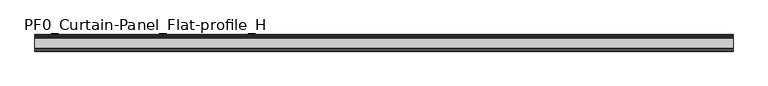
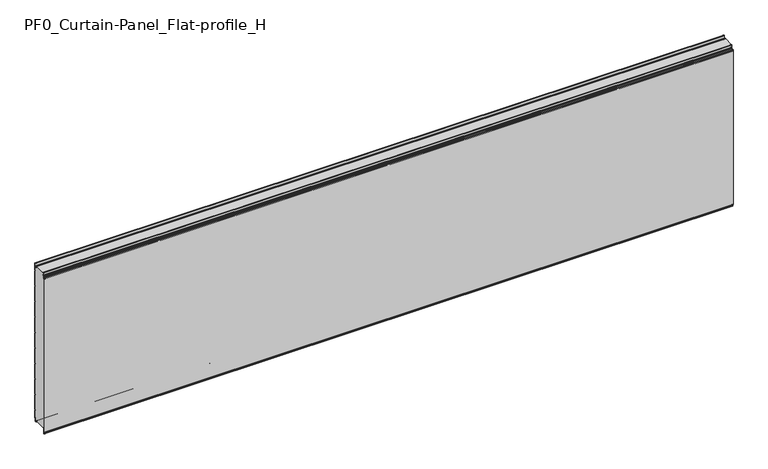
"""IFC4 building model written with IfcOpenShell, lengths in millimetres: plate geometry, PF0_Curtain-Panel_Flat-profile_H."""

from ifc_helpers import new_model, si_unit, point, frame, frame_2d, origin, place, context, project, spatial, polyline, circle_curve, trimmed, segment, composite_curve, outline, extrude, source, transform, mapped, element, save
from ifc_brep_helpers import plane_surface, cylinder_surface, revolved_surface, advanced_brep


def pf0_curtain_panel_flat_profile_h_2525b4ca(model_context):
    return source(origin(), model_context, "Body", "SolidModel", [
        advanced_brep(
        [(-2100.0, -15.878557, 0.0), (-2100.0, -20.0, 0.0), (-2100.0, -20.0, 0.8), (-2100.0, -15.878557, 0.8), (-2100.0, -13.1503208, -1.370137), (-2100.0, -11.728236, -7.529863), (-2100.0, -6.2, -6.9), (-2100.0, -6.2, 8.6), (-2100.0, -3.4, 11.4), (-2100.0, -2.0, 11.4), (-2100.0, -0.8, 12.6), (-2100.0, -0.8, 57.6856412), (-2100.0, -2.482606, 60.6), (-2100.0, -0.8, 63.5143588), (-2100.0, -0.8, 157.6856412), (-2100.0, -2.482606, 160.6), (-2100.0, -0.8, 163.5143588), (-2100.0, -0.8, 257.6856412), (-2100.0, -2.482606, 260.6), (-2100.0, -0.8, 263.5143588), (-2100.0, -0.8, 357.6856412), (-2100.0, -2.482606, 360.6), (-2100.0, -0.8, 363.5143588), (-2100.0, -0.8, 457.6856412), (-2100.0, -2.482606, 460.6), (-2100.0, -0.8, 463.5143588), (-2100.0, -0.8, 557.6856412), (-2100.0, -2.482606, 560.6), (-2100.0, -0.8, 563.5143588), (-2100.0, -0.8, 657.6856412), (-2100.0, -2.482606, 660.6), (-2100.0, -0.8, 663.5143588), (-2100.0, -0.8, 757.6856412), (-2100.0, -2.482606, 760.6), (-2100.0, -0.8, 763.5143588), (-2100.0, -0.8, 857.6856412), (-2100.0, -2.482606, 860.6), (-2100.0, -0.8, 863.5143588), (-2100.0, -0.8, 957.6856412), (-2100.0, -2.482606, 960.6), (-2100.0, -0.8, 963.5143588), (-2100.0, -0.8, 1008.1), (-2100.0, -4.2, 1008.1), (-2100.0, -4.2, 991.1), (-2100.0, -13.7270771, 990.2664884), (-2100.0, -14.8636953, 996.7125669), (-2100.0, -16.6363492, 998.2), (-2100.0, -20.0, 998.2), (-2100.0, -20.0, 999.0), (-2100.0, -16.6363492, 999.0), (-2100.0, -14.0758491, 996.8514855), (-2100.0, -12.939231, 990.405407), (-2100.0, -5.0, 991.1), (-2100.0, -5.0, 1008.1), (-2100.0, -2.5, 1010.6), (-2100.0, 0.0, 1008.1), (-2100.0, 0.0, 963.2999995), (-2100.0, -1.5588455, 960.6), (-2100.0, 0.0, 957.9000005), (-2100.0, 0.0, 863.2999995), (-2100.0, -1.5588455, 860.6), (-2100.0, 0.0, 857.9000005), (-2100.0, 0.0, 763.2999995), (-2100.0, -1.5588455, 760.6), (-2100.0, 0.0, 757.9000005), (-2100.0, 0.0, 663.2999995), (-2100.0, -1.5588455, 660.6), (-2100.0, 0.0, 657.9000005), (-2100.0, 0.0, 563.2999995), (-2100.0, -1.5588455, 560.6), (-2100.0, 0.0, 557.9000005), (-2100.0, 0.0, 463.2999995), (-2100.0, -1.5588455, 460.6), (-2100.0, 0.0, 457.9000005), (-2100.0, 0.0, 363.2999995), (-2100.0, -1.5588455, 360.6), (-2100.0, 0.0, 357.9000005), (-2100.0, 0.0, 263.2999995), (-2100.0, -1.5588455, 260.6), (-2100.0, 0.0, 257.9000005), (-2100.0, 0.0, 163.2999995), (-2100.0, -1.5588455, 160.6), (-2100.0, 0.0, 157.9000005), (-2100.0, 0.0, 63.2999995), (-2100.0, -1.5588455, 60.6), (-2100.0, 0.0, 57.9000005), (-2100.0, 0.0, 12.6), (-2100.0, -2.0, 10.6), (-2100.0, -3.4, 10.6), (-2100.0, -5.4, 8.6), (-2100.0, -5.4, -6.9), (-2100.0, -12.5077322, -7.7098239), (-2100.0, -13.929817, -1.5500979), (2100.0, -15.878557, 0.0), (2100.0, -13.9298169, -1.5500978), (2100.0, -12.507732, -7.7098239), (2100.0, -5.4, -6.9), (2100.0, -5.4, 8.6), (2100.0, -3.4, 10.6), (2100.0, -2.0, 10.6), (2100.0, 0.0, 12.6), (2100.0, 0.0, 57.9000005), (2100.0, -1.5588455, 60.6), (2100.0, 0.0, 63.2999995), (2100.0, 0.0, 157.9000005), (2100.0, -1.5588455, 160.6), (2100.0, 0.0, 163.2999995), (2100.0, 0.0, 257.9000005), (2100.0, -1.5588455, 260.6), (2100.0, 0.0, 263.2999995), (2100.0, 0.0, 357.9000005), (2100.0, -1.5588455, 360.6), (2100.0, 0.0, 363.2999995), (2100.0, 0.0, 457.9000005), (2100.0, -1.5588455, 460.6), (2100.0, 0.0, 463.2999995), (2100.0, 0.0, 557.9000005), (2100.0, -1.5588455, 560.6), (2100.0, 0.0, 563.2999995), (2100.0, 0.0, 657.9000005), (2100.0, -1.5588455, 660.6), (2100.0, 0.0, 663.2999995), (2100.0, 0.0, 757.9000005), (2100.0, -1.5588455, 760.6), (2100.0, 0.0, 763.2999995), (2100.0, 0.0, 857.9000005), (2100.0, -1.5588455, 860.6), (2100.0, 0.0, 863.2999995), (2100.0, 0.0, 957.9000005), (2100.0, -1.5588455, 960.6), (2100.0, 0.0, 963.2999995), (2100.0, 0.0, 1008.1), (2100.0, -2.5, 1010.6), (2100.0, -5.0, 1008.1), (2100.0, -5.0, 991.1), (2100.0, -12.939231, 990.405407), (2100.0, -14.0758491, 996.8514855), (2100.0, -16.6363492, 999.0), (2100.0, -20.0, 999.0), (2100.0, -20.0, 998.2), (2100.0, -16.6363492, 998.2), (2100.0, -14.8636953, 996.7125669), (2100.0, -13.7270772, 990.2664884), (2100.0, -4.2, 991.1), (2100.0, -4.2, 1008.1), (2100.0, -0.8, 1008.1), (2100.0, -0.8, 963.5143588), (2100.0, -2.482606, 960.6), (2100.0, -0.8, 957.6856412), (2100.0, -0.8, 863.5143588), (2100.0, -2.482606, 860.6), (2100.0, -0.8, 857.6856412), (2100.0, -0.8, 763.5143588), (2100.0, -2.482606, 760.6), (2100.0, -0.8, 757.6856412), (2100.0, -0.8, 663.5143588), (2100.0, -2.482606, 660.6), (2100.0, -0.8, 657.6856412), (2100.0, -0.8, 563.5143588), (2100.0, -2.482606, 560.6), (2100.0, -0.8, 557.6856412), (2100.0, -0.8, 463.5143588), (2100.0, -2.482606, 460.6), (2100.0, -0.8, 457.6856412), (2100.0, -0.8, 363.5143588), (2100.0, -2.482606, 360.6), (2100.0, -0.8, 357.6856412), (2100.0, -0.8, 263.5143588), (2100.0, -2.482606, 260.6), (2100.0, -0.8, 257.6856412), (2100.0, -0.8, 163.5143588), (2100.0, -2.482606, 160.6), (2100.0, -0.8, 157.6856412), (2100.0, -0.8, 63.5143588), (2100.0, -2.482606, 60.6), (2100.0, -0.8, 57.6856412), (2100.0, -0.8, 12.6), (2100.0, -2.0, 11.4), (2100.0, -3.4, 11.4), (2100.0, -6.2, 8.6), (2100.0, -6.2, -6.9), (2100.0, -11.7282362, -7.529863), (2100.0, -13.150321, -1.370137), (2100.0, -15.878557, 0.8), (2100.0, -20.0, 0.8), (2100.0, -20.0, 0.0)],
        [
            (0, 1),
            (1, 2),
            (2, 3),
            (3, 4, circle_curve(frame((-2100.0, -15.878557, -2.0), z_axis=(-1.0, 0.0, 0.0), x_axis=(0.0, 0.0, 1.0)), 2.8)),
            (4, 5),
            (5, 6, circle_curve(frame((-2100.0, -9.0, -6.9), z_axis=(1.0, 0.0, 0.0), x_axis=(0.0, 0.0, 1.0)), 2.8)),
            (6, 7),
            (7, 8, circle_curve(frame((-2100.0, -3.4, 8.6), z_axis=(-1.0, 0.0, 0.0), x_axis=(0.0, 0.0, 1.0)), 2.8)),
            (8, 9),
            (9, 10, circle_curve(frame((-2100.0, -2.0, 12.6), z_axis=(1.0, 0.0, 0.0), x_axis=(0.0, 0.0, 1.0)), 1.2)),
            (10, 11),
            (11, 12),
            (12, 13),
            (13, 14),
            (14, 15),
            (15, 16),
            (16, 17),
            (17, 18),
            (18, 19),
            (19, 20),
            (20, 21),
            (21, 22),
            (22, 23),
            (23, 24),
            (24, 25),
            (25, 26),
            (26, 27),
            (27, 28),
            (28, 29),
            (29, 30),
            (30, 31),
            (31, 32),
            (32, 33),
            (33, 34),
            (34, 35),
            (35, 36),
            (36, 37),
            (37, 38),
            (38, 39),
            (39, 40),
            (40, 41),
            (41, 42, circle_curve(frame((-2100.0, -2.5, 1008.1), z_axis=(1.0, 0.0, 0.0), x_axis=(0.0, 0.0, 1.0)), 1.7)),
            (42, 43),
            (43, 44, circle_curve(frame((-2100.0, -9.0, 991.1), z_axis=(-1.0, 0.0, 0.0), x_axis=(0.0, 0.0, 1.0)), 4.8)),
            (44, 45),
            (45, 46, circle_curve(frame((-2100.0, -16.6363492, 996.4), z_axis=(1.0, 0.0, 0.0), x_axis=(0.0, 0.0, 1.0)), 1.8)),
            (46, 47),
            (47, 48),
            (48, 49),
            (49, 50, circle_curve(frame((-2100.0, -16.6363492, 996.4), z_axis=(-1.0, 0.0, 0.0), x_axis=(0.0, 0.0, 1.0)), 2.6)),
            (50, 51),
            (51, 52, circle_curve(frame((-2100.0, -9.0, 991.1), z_axis=(1.0, 0.0, 0.0), x_axis=(0.0, 0.0, 1.0)), 4.0)),
            (52, 53),
            (53, 54, circle_curve(frame((-2100.0, -2.5, 1008.1), z_axis=(-1.0, 0.0, 0.0), x_axis=(0.0, 0.0, 1.0)), 2.5)),
            (54, 55, circle_curve(frame((-2100.0, -2.5, 1008.1), z_axis=(-1.0, 0.0, 0.0), x_axis=(0.0, 0.0, 1.0)), 2.5)),
            (55, 56),
            (56, 57),
            (57, 58),
            (58, 59),
            (59, 60),
            (60, 61),
            (61, 62),
            (62, 63),
            (63, 64),
            (64, 65),
            (65, 66),
            (66, 67),
            (67, 68),
            (68, 69),
            (69, 70),
            (70, 71),
            (71, 72),
            (72, 73),
            (73, 74),
            (74, 75),
            (75, 76),
            (76, 77),
            (77, 78),
            (78, 79),
            (79, 80),
            (80, 81),
            (81, 82),
            (82, 83),
            (83, 84),
            (84, 85),
            (85, 86),
            (86, 87, circle_curve(frame((-2100.0, -2.0, 12.6), z_axis=(-1.0, 0.0, 0.0), x_axis=(0.0, 0.0, 1.0)), 2.0)),
            (87, 88),
            (88, 89, circle_curve(frame((-2100.0, -3.4, 8.6), z_axis=(1.0, 0.0, 0.0), x_axis=(0.0, 0.0, 1.0)), 2.0)),
            (89, 90),
            (90, 91, circle_curve(frame((-2100.0, -9.0, -6.9), z_axis=(-1.0, 0.0, 0.0), x_axis=(0.0, 0.0, 1.0)), 3.6)),
            (91, 92),
            (92, 0, circle_curve(frame((-2100.0, -15.878557, -2.0), z_axis=(1.0, 0.0, 0.0), x_axis=(0.0, 0.0, 1.0)), 2.0)),
            (93, 94, circle_curve(frame((2100.0, -15.878557, -2.0), z_axis=(-1.0, 0.0, 0.0), x_axis=(0.0, 0.0, 1.0)), 2.0)),
            (94, 95),
            (95, 96, circle_curve(frame((2100.0, -9.0, -6.9), z_axis=(1.0, 0.0, 0.0), x_axis=(0.0, 0.0, 1.0)), 3.6)),
            (96, 97),
            (97, 98, circle_curve(frame((2100.0, -3.4, 8.6), z_axis=(-1.0, 0.0, 0.0), x_axis=(0.0, 0.0, 1.0)), 2.0)),
            (98, 99),
            (99, 100, circle_curve(frame((2100.0, -2.0, 12.6), z_axis=(1.0, 0.0, 0.0), x_axis=(0.0, 0.0, 1.0)), 2.0)),
            (100, 101),
            (101, 102),
            (102, 103),
            (103, 104),
            (104, 105),
            (105, 106),
            (106, 107),
            (107, 108),
            (108, 109),
            (109, 110),
            (110, 111),
            (111, 112),
            (112, 113),
            (113, 114),
            (114, 115),
            (115, 116),
            (116, 117),
            (117, 118),
            (118, 119),
            (119, 120),
            (120, 121),
            (121, 122),
            (122, 123),
            (123, 124),
            (124, 125),
            (125, 126),
            (126, 127),
            (127, 128),
            (128, 129),
            (129, 130),
            (130, 131),
            (131, 132, circle_curve(frame((2100.0, -2.5, 1008.1), z_axis=(1.0, 0.0, 0.0), x_axis=(0.0, 0.0, 1.0)), 2.5)),
            (132, 133, circle_curve(frame((2100.0, -2.5, 1008.1), z_axis=(1.0, 0.0, 0.0), x_axis=(0.0, 0.0, 1.0)), 2.5)),
            (133, 134),
            (134, 135, circle_curve(frame((2100.0, -9.0, 991.1), z_axis=(-1.0, 0.0, 0.0), x_axis=(0.0, 0.0, 1.0)), 4.0)),
            (135, 136),
            (136, 137, circle_curve(frame((2100.0, -16.6363492, 996.4), z_axis=(1.0, 0.0, 0.0), x_axis=(0.0, 0.0, 1.0)), 2.6)),
            (137, 138),
            (138, 139),
            (139, 140),
            (140, 141, circle_curve(frame((2100.0, -16.6363492, 996.4), z_axis=(-1.0, 0.0, 0.0), x_axis=(0.0, 0.0, 1.0)), 1.8)),
            (141, 142),
            (142, 143, circle_curve(frame((2100.0, -9.0, 991.1), z_axis=(1.0, 0.0, 0.0), x_axis=(0.0, 0.0, 1.0)), 4.8)),
            (143, 144),
            (144, 145, circle_curve(frame((2100.0, -2.5, 1008.1), z_axis=(-1.0, 0.0, 0.0), x_axis=(0.0, 0.0, 1.0)), 1.7)),
            (145, 146),
            (146, 147),
            (147, 148),
            (148, 149),
            (149, 150),
            (150, 151),
            (151, 152),
            (152, 153),
            (153, 154),
            (154, 155),
            (155, 156),
            (156, 157),
            (157, 158),
            (158, 159),
            (159, 160),
            (160, 161),
            (161, 162),
            (162, 163),
            (163, 164),
            (164, 165),
            (165, 166),
            (166, 167),
            (167, 168),
            (168, 169),
            (169, 170),
            (170, 171),
            (171, 172),
            (172, 173),
            (173, 174),
            (174, 175),
            (175, 176),
            (176, 177, circle_curve(frame((2100.0, -2.0, 12.6), z_axis=(-1.0, 0.0, 0.0), x_axis=(0.0, 0.0, 1.0)), 1.2)),
            (177, 178),
            (178, 179, circle_curve(frame((2100.0, -3.4, 8.6), z_axis=(1.0, 0.0, 0.0), x_axis=(0.0, 0.0, 1.0)), 2.8)),
            (179, 180),
            (180, 181, circle_curve(frame((2100.0, -9.0, -6.9), z_axis=(-1.0, 0.0, 0.0), x_axis=(0.0, 0.0, 1.0)), 2.8)),
            (181, 182),
            (182, 183, circle_curve(frame((2100.0, -15.878557, -2.0), z_axis=(1.0, 0.0, 0.0), x_axis=(0.0, 0.0, 1.0)), 2.8)),
            (183, 184),
            (184, 185),
            (185, 93),
            (0, 93),
            (185, 1),
            (184, 2),
            (183, 3),
            (182, 4),
            (181, 5),
            (180, 6),
            (179, 7),
            (178, 8),
            (177, 9),
            (176, 10),
            (175, 11),
            (174, 12),
            (173, 13),
            (172, 14),
            (171, 15),
            (170, 16),
            (169, 17),
            (168, 18),
            (167, 19),
            (166, 20),
            (165, 21),
            (164, 22),
            (163, 23),
            (162, 24),
            (161, 25),
            (160, 26),
            (159, 27),
            (158, 28),
            (157, 29),
            (156, 30),
            (155, 31),
            (154, 32),
            (153, 33),
            (152, 34),
            (151, 35),
            (150, 36),
            (149, 37),
            (148, 38),
            (147, 39),
            (146, 40),
            (145, 41),
            (144, 42),
            (143, 43),
            (142, 44),
            (141, 45),
            (140, 46),
            (139, 47),
            (138, 48),
            (137, 49),
            (136, 50),
            (135, 51),
            (134, 52),
            (133, 53),
            (131, 55),
            (130, 56),
            (129, 57),
            (128, 58),
            (127, 59),
            (126, 60),
            (125, 61),
            (124, 62),
            (123, 63),
            (122, 64),
            (121, 65),
            (120, 66),
            (119, 67),
            (118, 68),
            (117, 69),
            (116, 70),
            (115, 71),
            (114, 72),
            (113, 73),
            (112, 74),
            (111, 75),
            (110, 76),
            (109, 77),
            (108, 78),
            (107, 79),
            (106, 80),
            (105, 81),
            (104, 82),
            (103, 83),
            (102, 84),
            (101, 85),
            (100, 86),
            (99, 87),
            (98, 88),
            (97, 89),
            (96, 90),
            (95, 91),
            (94, 92),
        ],
        [
            plane_surface(frame((-2100.0, 0.0, 0.0), z_axis=(-1.0, 0.0, 0.0), x_axis=(0.0, 1.0, 0.0))),
            plane_surface(frame((2100.0, 0.0, 0.0), z_axis=(1.0, 0.0, 0.0), x_axis=(0.0, 1.0, 0.0))),
            plane_surface(frame((-2100.0, -15.878557, 0.0), z_axis=(0.0, 0.0, -1.0), x_axis=(1.0, 0.0, 0.0))),
            plane_surface(frame((-2100.0, -20.0, 0.0), z_axis=(0.0, -1.0, 0.0), x_axis=(1.0, 0.0, 0.0))),
            plane_surface(frame((-2100.0, -20.0, 0.8), z_axis=(0.0, 0.0, 1.0), x_axis=(1.0, 0.0, 0.0))),
            cylinder_surface(frame((-2100.0, -15.878557, -2.0), z_axis=(-1.0, 0.0, 0.0), x_axis=(0.0, 0.0, 1.0)), 2.8),
            plane_surface(frame((-2100.0, -13.150321, -1.370137), z_axis=(0.0, 0.9743700578318181, 0.22495108446242168), x_axis=(1.0, 0.0, 0.0))),
            revolved_surface(polyline([(2100.0, -9.0, -4.1000000000000005), (-2100.0, -9.0, -4.1000000000000005)]), (-2100.0, -9.0, -6.9), (1.0, 0.0, 0.0)),
            plane_surface(frame((-2100.0, -6.2, -6.9), z_axis=(0.0, -1.0, 0.0), x_axis=(1.0, 0.0, 0.0))),
            cylinder_surface(frame((-2100.0, -3.4, 8.6), z_axis=(-1.0, 0.0, 0.0), x_axis=(0.0, 0.0, 1.0)), 2.8),
            plane_surface(frame((-2100.0, -3.4, 11.4), z_axis=(0.0, 0.0, 1.0), x_axis=(1.0, 0.0, 0.0))),
            revolved_surface(polyline([(2100.0, -2.0, 13.799999999999999), (-2100.0, -2.0, 13.799999999999999)]), (-2100.0, -2.0, 12.6), (1.0, 0.0, 0.0)),
            plane_surface(frame((-2100.0, -0.8, 12.6), z_axis=(0.0, -1.0, 0.0), x_axis=(1.0, 0.0, 0.0))),
            plane_surface(frame((-2100.0, -0.8, 57.6856412), z_axis=(0.0, -0.8660253865035757, -0.5000000299313314), x_axis=(1.0, 0.0, 0.0))),
            plane_surface(frame((-2100.0, -2.482606, 60.6), z_axis=(0.0, -0.8660253865035789, 0.5000000299313261), x_axis=(1.0, 0.0, 0.0))),
            plane_surface(frame((-2100.0, -0.8, 63.5143588), z_axis=(0.0, -1.0, 0.0), x_axis=(1.0, 0.0, 0.0))),
            plane_surface(frame((-2100.0, -0.8, 157.6856412), z_axis=(0.0, -0.8660253865035755, -0.5000000299313319), x_axis=(1.0, 0.0, 0.0))),
            plane_surface(frame((-2100.0, -2.482606, 160.6), z_axis=(0.0, -0.8660253865035777, 0.5000000299313279), x_axis=(1.0, 0.0, 0.0))),
            plane_surface(frame((-2100.0, -0.8, 163.5143588), z_axis=(0.0, -1.0, 0.0), x_axis=(1.0, 0.0, 0.0))),
            plane_surface(frame((-2100.0, -0.8, 257.6856412), z_axis=(0.0, -0.8660253865035755, -0.5000000299313319), x_axis=(1.0, 0.0, 0.0))),
            plane_surface(frame((-2100.0, -2.482606, 260.6), z_axis=(0.0, -0.8660253865035777, 0.5000000299313279), x_axis=(1.0, 0.0, 0.0))),
            plane_surface(frame((-2100.0, -0.8, 263.5143588), z_axis=(0.0, -1.0, 0.0), x_axis=(1.0, 0.0, 0.0))),
            plane_surface(frame((-2100.0, -0.8, 357.6856412), z_axis=(0.0, -0.8660253865035754, -0.500000029931332), x_axis=(1.0, 0.0, 0.0))),
            plane_surface(frame((-2100.0, -2.482606, 360.6), z_axis=(0.0, -0.8660253865035789, 0.5000000299313261), x_axis=(1.0, 0.0, 0.0))),
            plane_surface(frame((-2100.0, -0.8, 363.5143588), z_axis=(0.0, -1.0, 0.0), x_axis=(1.0, 0.0, 0.0))),
            plane_surface(frame((-2100.0, -0.8, 457.6856412), z_axis=(0.0, -0.8660253865035755, -0.5000000299313319), x_axis=(1.0, 0.0, 0.0))),
            plane_surface(frame((-2100.0, -2.482606, 460.6), z_axis=(0.0, -0.8660253865035785, 0.5000000299313266), x_axis=(1.0, 0.0, 0.0))),
            plane_surface(frame((-2100.0, -0.8, 463.5143588), z_axis=(0.0, -1.0, 0.0), x_axis=(1.0, 0.0, 0.0))),
            plane_surface(frame((-2100.0, -0.8, 557.6856412), z_axis=(0.0, -0.8660253865035755, -0.500000029931332), x_axis=(1.0, 0.0, 0.0))),
            plane_surface(frame((-2100.0, -2.482606, 560.6), z_axis=(0.0, -0.8660253865035789, 0.500000029931326), x_axis=(1.0, 0.0, 0.0))),
            plane_surface(frame((-2100.0, -0.8, 563.5143588), z_axis=(0.0, -1.0, 0.0), x_axis=(1.0, 0.0, 0.0))),
            plane_surface(frame((-2100.0, -0.8, 657.6856412), z_axis=(0.0, -0.8660253865035755, -0.5000000299313317), x_axis=(1.0, 0.0, 0.0))),
            plane_surface(frame((-2100.0, -2.482606, 660.6), z_axis=(0.0, -0.8660253865035772, 0.5000000299313291), x_axis=(1.0, 0.0, 0.0))),
            plane_surface(frame((-2100.0, -0.8, 663.5143588), z_axis=(0.0, -1.0, 0.0), x_axis=(1.0, 0.0, 0.0))),
            plane_surface(frame((-2100.0, -0.8, 757.6856412), z_axis=(0.0, -0.8660253865035755, -0.5000000299313319), x_axis=(1.0, 0.0, 0.0))),
            plane_surface(frame((-2100.0, -2.482606, 760.6), z_axis=(0.0, -0.8660253865035771, 0.5000000299313291), x_axis=(1.0, 0.0, 0.0))),
            plane_surface(frame((-2100.0, -0.8, 763.5143588), z_axis=(0.0, -1.0, 0.0), x_axis=(1.0, 0.0, 0.0))),
            plane_surface(frame((-2100.0, -0.8, 857.6856412), z_axis=(0.0, -0.8660253865035755, -0.5000000299313319), x_axis=(1.0, 0.0, 0.0))),
            plane_surface(frame((-2100.0, -2.482606, 860.6), z_axis=(0.0, -0.8660253865035775, 0.5000000299313283), x_axis=(1.0, 0.0, 0.0))),
            plane_surface(frame((-2100.0, -0.8, 863.5143588), z_axis=(0.0, -1.0, 0.0), x_axis=(1.0, 0.0, 0.0))),
            plane_surface(frame((-2100.0, -0.8, 957.6856412), z_axis=(0.0, -0.8660253865035755, -0.500000029931332), x_axis=(1.0, 0.0, 0.0))),
            plane_surface(frame((-2100.0, -2.482606, 960.6), z_axis=(0.0, -0.8660253865035771, 0.5000000299313291), x_axis=(1.0, 0.0, 0.0))),
            plane_surface(frame((-2100.0, -0.8, 963.5143588), z_axis=(0.0, -1.0, 0.0), x_axis=(1.0, 0.0, 0.0))),
            revolved_surface(polyline([(2100.0, -2.5, 1009.8000000000001), (-2100.0, -2.5, 1009.8000000000001)]), (-2100.0, -2.5, 1008.1), (1.0, 0.0, 0.0)),
            plane_surface(frame((-2100.0, -4.2, 1008.1), z_axis=(0.0, 1.0, 0.0), x_axis=(1.0, 0.0, 0.0))),
            cylinder_surface(frame((-2100.0, -9.0, 991.1), z_axis=(-1.0, 0.0, 0.0), x_axis=(0.0, 0.0, 1.0)), 4.8),
            plane_surface(frame((-2100.0, -13.7270772, 990.2664884), z_axis=(0.0, -0.9848077391954005, -0.17364825602592165), x_axis=(1.0, 0.0, 0.0))),
            revolved_surface(polyline([(2100.0, -16.6363492, 998.1999999999999), (-2100.0, -16.6363492, 998.1999999999999)]), (-2100.0, -16.6363492, 996.4), (1.0, 0.0, 0.0)),
            plane_surface(frame((-2100.0, -16.6363492, 998.2), z_axis=(0.0, 0.0, -1.0), x_axis=(1.0, 0.0, 0.0))),
            plane_surface(frame((-2100.0, -20.0, 998.2), z_axis=(0.0, -1.0, 0.0), x_axis=(1.0, 0.0, 0.0))),
            plane_surface(frame((-2100.0, -20.0, 999.0), z_axis=(0.0, 0.0, 1.0), x_axis=(1.0, 0.0, 0.0))),
            cylinder_surface(frame((-2100.0, -16.6363492, 996.4), z_axis=(-1.0, 0.0, 0.0), x_axis=(0.0, 0.0, 1.0)), 2.6),
            plane_surface(frame((-2100.0, -14.0758491, 996.8514855), z_axis=(0.0, 0.9848077391954003, 0.1736482560259224), x_axis=(1.0, 0.0, 0.0))),
            revolved_surface(polyline([(2100.0, -9.0, 995.1), (-2100.0, -9.0, 995.1)]), (-2100.0, -9.0, 991.1), (1.0, 0.0, 0.0)),
            plane_surface(frame((-2100.0, -5.0, 991.1), z_axis=(0.0, -1.0, 0.0), x_axis=(1.0, 0.0, 0.0))),
            cylinder_surface(frame((-2100.0, -2.5, 1008.1), z_axis=(-1.0, 0.0, 0.0), x_axis=(0.0, 0.0, 1.0)), 2.5),
            plane_surface(frame((-2100.0, 0.0, 1008.1), z_axis=(0.0, 1.0, 0.0), x_axis=(1.0, 0.0, 0.0))),
            plane_surface(frame((-2100.0, 0.0, 963.2999995), z_axis=(0.0, 0.8660253865035786, -0.5000000299313263), x_axis=(1.0, 0.0, 0.0))),
            plane_surface(frame((-2100.0, -1.5588455, 960.6), z_axis=(0.0, 0.8660253865035755, 0.5000000299313319), x_axis=(1.0, 0.0, 0.0))),
            plane_surface(frame((-2100.0, 0.0, 957.9000005), z_axis=(0.0, 1.0, 0.0), x_axis=(1.0, 0.0, 0.0))),
            plane_surface(frame((-2100.0, 0.0, 863.2999995), z_axis=(0.0, 0.8660253865035786, -0.5000000299313263), x_axis=(1.0, 0.0, 0.0))),
            plane_surface(frame((-2100.0, -1.5588455, 860.6), z_axis=(0.0, 0.8660253865035755, 0.5000000299313319), x_axis=(1.0, 0.0, 0.0))),
            plane_surface(frame((-2100.0, 0.0, 857.9000005), z_axis=(0.0, 1.0, 0.0), x_axis=(1.0, 0.0, 0.0))),
            plane_surface(frame((-2100.0, 0.0, 763.2999995), z_axis=(0.0, 0.8660253865035786, -0.5000000299313263), x_axis=(1.0, 0.0, 0.0))),
            plane_surface(frame((-2100.0, -1.5588455, 760.6), z_axis=(0.0, 0.8660253865035755, 0.5000000299313319), x_axis=(1.0, 0.0, 0.0))),
            plane_surface(frame((-2100.0, 0.0, 757.9000005), z_axis=(0.0, 1.0, 0.0), x_axis=(1.0, 0.0, 0.0))),
            plane_surface(frame((-2100.0, 0.0, 663.2999995), z_axis=(0.0, 0.8660253865035786, -0.5000000299313263), x_axis=(1.0, 0.0, 0.0))),
            plane_surface(frame((-2100.0, -1.5588455, 660.6), z_axis=(0.0, 0.8660253865035755, 0.5000000299313319), x_axis=(1.0, 0.0, 0.0))),
            plane_surface(frame((-2100.0, 0.0, 657.9000005), z_axis=(0.0, 1.0, 0.0), x_axis=(1.0, 0.0, 0.0))),
            plane_surface(frame((-2100.0, 0.0, 563.2999995), z_axis=(0.0, 0.8660253865035786, -0.5000000299313263), x_axis=(1.0, 0.0, 0.0))),
            plane_surface(frame((-2100.0, -1.5588455, 560.6), z_axis=(0.0, 0.8660253865035755, 0.5000000299313319), x_axis=(1.0, 0.0, 0.0))),
            plane_surface(frame((-2100.0, 0.0, 557.9000005), z_axis=(0.0, 1.0, 0.0), x_axis=(1.0, 0.0, 0.0))),
            plane_surface(frame((-2100.0, 0.0, 463.2999995), z_axis=(0.0, 0.8660253865035786, -0.5000000299313263), x_axis=(1.0, 0.0, 0.0))),
            plane_surface(frame((-2100.0, -1.5588455, 460.6), z_axis=(0.0, 0.8660253865035755, 0.5000000299313319), x_axis=(1.0, 0.0, 0.0))),
            plane_surface(frame((-2100.0, 0.0, 457.9000005), z_axis=(0.0, 1.0, 0.0), x_axis=(1.0, 0.0, 0.0))),
            plane_surface(frame((-2100.0, 0.0, 363.2999995), z_axis=(0.0, 0.8660253865035786, -0.5000000299313263), x_axis=(1.0, 0.0, 0.0))),
            plane_surface(frame((-2100.0, -1.5588455, 360.6), z_axis=(0.0, 0.8660253865035755, 0.5000000299313319), x_axis=(1.0, 0.0, 0.0))),
            plane_surface(frame((-2100.0, 0.0, 357.9000005), z_axis=(0.0, 1.0, 0.0), x_axis=(1.0, 0.0, 0.0))),
            plane_surface(frame((-2100.0, 0.0, 263.2999995), z_axis=(0.0, 0.8660253865035786, -0.5000000299313263), x_axis=(1.0, 0.0, 0.0))),
            plane_surface(frame((-2100.0, -1.5588455, 260.6), z_axis=(0.0, 0.8660253865035755, 0.5000000299313319), x_axis=(1.0, 0.0, 0.0))),
            plane_surface(frame((-2100.0, 0.0, 257.9000005), z_axis=(0.0, 1.0, 0.0), x_axis=(1.0, 0.0, 0.0))),
            plane_surface(frame((-2100.0, 0.0, 163.2999995), z_axis=(0.0, 0.8660253865035786, -0.5000000299313263), x_axis=(1.0, 0.0, 0.0))),
            plane_surface(frame((-2100.0, -1.5588455, 160.6), z_axis=(0.0, 0.8660253865035755, 0.5000000299313319), x_axis=(1.0, 0.0, 0.0))),
            plane_surface(frame((-2100.0, 0.0, 157.9000005), z_axis=(0.0, 1.0, 0.0), x_axis=(1.0, 0.0, 0.0))),
            plane_surface(frame((-2100.0, 0.0, 63.2999995), z_axis=(0.0, 0.8660253865035786, -0.5000000299313263), x_axis=(1.0, 0.0, 0.0))),
            plane_surface(frame((-2100.0, -1.5588455, 60.6), z_axis=(0.0, 0.8660253865035755, 0.5000000299313319), x_axis=(1.0, 0.0, 0.0))),
            plane_surface(frame((-2100.0, 0.0, 57.9000005), z_axis=(0.0, 1.0, 0.0), x_axis=(1.0, 0.0, 0.0))),
            cylinder_surface(frame((-2100.0, -2.0, 12.6), z_axis=(-1.0, 0.0, 0.0), x_axis=(0.0, 0.0, 1.0)), 2.0),
            plane_surface(frame((-2100.0, -2.0, 10.6), z_axis=(0.0, 0.0, -1.0), x_axis=(1.0, 0.0, 0.0))),
            revolved_surface(polyline([(2100.0, -3.4, 10.6), (-2100.0, -3.4, 10.6)]), (-2100.0, -3.4, 8.6), (1.0, 0.0, 0.0)),
            plane_surface(frame((-2100.0, -5.4, 8.6), z_axis=(0.0, 1.0, 0.0), x_axis=(1.0, 0.0, 0.0))),
            cylinder_surface(frame((-2100.0, -9.0, -6.9), z_axis=(-1.0, 0.0, 0.0), x_axis=(0.0, 0.0, 1.0)), 3.6),
            plane_surface(frame((-2100.0, -12.507732, -7.7098239), z_axis=(0.0, -0.9743700578318182, -0.22495108446242174), x_axis=(1.0, 0.0, 0.0))),
            revolved_surface(polyline([(2100.0, -15.878557, 0.0), (-2100.0, -15.878557, 0.0)]), (-2100.0, -15.878557, -2.0), (1.0, 0.0, 0.0)),
        ],
        [
            (0, [[1, 2, 3, 4, 5, 6, 7, 8, 9, 10, 11, 12, 13, 14, 15, 16, 17, 18, 19, 20, 21, 22, 23, 24, 25, 26, 27, 28, 29, 30, 31, 32, 33, 34, 35, 36, 37, 38, 39, 40, 41, 42, 43, 44, 45, 46, 47, 48, 49, 50, 51, 52, 53, 54, 55, 56, 57, 58, 59, 60, 61, 62, 63, 64, 65, 66, 67, 68, 69, 70, 71, 72, 73, 74, 75, 76, 77, 78, 79, 80, 81, 82, 83, 84, 85, 86, 87, 88, 89, 90, 91, 92, 93]]),
            (1, [[94, 95, 96, 97, 98, 99, 100, 101, 102, 103, 104, 105, 106, 107, 108, 109, 110, 111, 112, 113, 114, 115, 116, 117, 118, 119, 120, 121, 122, 123, 124, 125, 126, 127, 128, 129, 130, 131, 132, 133, 134, 135, 136, 137, 138, 139, 140, 141, 142, 143, 144, 145, 146, 147, 148, 149, 150, 151, 152, 153, 154, 155, 156, 157, 158, 159, 160, 161, 162, 163, 164, 165, 166, 167, 168, 169, 170, 171, 172, 173, 174, 175, 176, 177, 178, 179, 180, 181, 182, 183, 184, 185, 186]]),
            (2, [[-1, 187, -186, 188]]),
            (3, [[-2, -188, -185, 189]]),
            (4, [[-3, -189, -184, 190]]),
            (5, [[-4, -190, -183, 191]]),
            (6, [[-5, -191, -182, 192]]),
            (7, [[-6, -192, -181, 193]]),
            (8, [[-7, -193, -180, 194]]),
            (9, [[-8, -194, -179, 195]]),
            (10, [[-9, -195, -178, 196]]),
            (11, [[-10, -196, -177, 197]]),
            (12, [[-11, -197, -176, 198]]),
            (13, [[-12, -198, -175, 199]]),
            (14, [[-13, -199, -174, 200]]),
            (15, [[-14, -200, -173, 201]]),
            (16, [[-15, -201, -172, 202]]),
            (17, [[-16, -202, -171, 203]]),
            (18, [[-17, -203, -170, 204]]),
            (19, [[-18, -204, -169, 205]]),
            (20, [[-19, -205, -168, 206]]),
            (21, [[-20, -206, -167, 207]]),
            (22, [[-21, -207, -166, 208]]),
            (23, [[-22, -208, -165, 209]]),
            (24, [[-23, -209, -164, 210]]),
            (25, [[-24, -210, -163, 211]]),
            (26, [[-25, -211, -162, 212]]),
            (27, [[-26, -212, -161, 213]]),
            (28, [[-27, -213, -160, 214]]),
            (29, [[-28, -214, -159, 215]]),
            (30, [[-29, -215, -158, 216]]),
            (31, [[-30, -216, -157, 217]]),
            (32, [[-31, -217, -156, 218]]),
            (33, [[-32, -218, -155, 219]]),
            (34, [[-33, -219, -154, 220]]),
            (35, [[-34, -220, -153, 221]]),
            (36, [[-35, -221, -152, 222]]),
            (37, [[-36, -222, -151, 223]]),
            (38, [[-37, -223, -150, 224]]),
            (39, [[-38, -224, -149, 225]]),
            (40, [[-39, -225, -148, 226]]),
            (41, [[-40, -226, -147, 227]]),
            (42, [[-41, -227, -146, 228]]),
            (43, [[-42, -228, -145, 229]]),
            (44, [[-43, -229, -144, 230]]),
            (45, [[-44, -230, -143, 231]]),
            (46, [[-45, -231, -142, 232]]),
            (47, [[-46, -232, -141, 233]]),
            (48, [[-47, -233, -140, 234]]),
            (49, [[-48, -234, -139, 235]]),
            (50, [[-49, -235, -138, 236]]),
            (51, [[-50, -236, -137, 237]]),
            (52, [[-51, -237, -136, 238]]),
            (53, [[-52, -238, -135, 239]]),
            (54, [[-53, -239, -134, 240]]),
            (55, [[-240, -133, -132, 241, -55, -54]]),
            (56, [[-56, -241, -131, 242]]),
            (57, [[-57, -242, -130, 243]]),
            (58, [[-58, -243, -129, 244]]),
            (59, [[-59, -244, -128, 245]]),
            (60, [[-60, -245, -127, 246]]),
            (61, [[-61, -246, -126, 247]]),
            (62, [[-62, -247, -125, 248]]),
            (63, [[-63, -248, -124, 249]]),
            (64, [[-64, -249, -123, 250]]),
            (65, [[-65, -250, -122, 251]]),
            (66, [[-66, -251, -121, 252]]),
            (67, [[-67, -252, -120, 253]]),
            (68, [[-68, -253, -119, 254]]),
            (69, [[-69, -254, -118, 255]]),
            (70, [[-70, -255, -117, 256]]),
            (71, [[-71, -256, -116, 257]]),
            (72, [[-72, -257, -115, 258]]),
            (73, [[-73, -258, -114, 259]]),
            (74, [[-74, -259, -113, 260]]),
            (75, [[-75, -260, -112, 261]]),
            (76, [[-76, -261, -111, 262]]),
            (77, [[-77, -262, -110, 263]]),
            (78, [[-78, -263, -109, 264]]),
            (79, [[-79, -264, -108, 265]]),
            (80, [[-80, -265, -107, 266]]),
            (81, [[-81, -266, -106, 267]]),
            (82, [[-82, -267, -105, 268]]),
            (83, [[-83, -268, -104, 269]]),
            (84, [[-84, -269, -103, 270]]),
            (85, [[-85, -270, -102, 271]]),
            (86, [[-86, -271, -101, 272]]),
            (87, [[-87, -272, -100, 273]]),
            (88, [[-88, -273, -99, 274]]),
            (89, [[-89, -274, -98, 275]]),
            (90, [[-90, -275, -97, 276]]),
            (91, [[-91, -276, -96, 277]]),
            (92, [[-92, -277, -95, 278]]),
            (93, [[-93, -278, -94, -187]]),
        ],
    ),
        extrude(outline(composite_curve([segment(polyline([(-90.0, 0.8), (-93.5, 0.8)]), True, "CONTINUOUS"), segment(trimmed(circle_curve(frame_2d((-93.5, -2.0)), 2.8), [point((-93.5, 0.8))], [point((-96.3, -2.0))], True, "CARTESIAN"), True, "CONTINUOUS"), segment(polyline([(-96.3, -2.0), (-96.3, -32.8700312)]), True, "CONTINUOUS"), segment(trimmed(circle_curve(frame_2d((-96.6, -32.8700312)), 0.3), [point((-96.3, -32.8700312))], [point((-96.9, -32.8700312))], False, "CARTESIAN"), True, "CONTINUOUS"), segment(polyline([(-96.9, -32.8700312), (-96.9, -26.9)]), True, "CONTINUOUS"), segment(trimmed(circle_curve(frame_2d((-98.6133333, -26.9)), 1.7133333), [point((-96.9, -26.9))], [point((-98.4, -25.2))], True, "CARTESIAN"), True, "CONTINUOUS"), segment(trimmed(circle_curve(frame_2d((-98.4, -24.4)), 0.8), [point((-98.4, -25.2))], [point((-99.2, -24.4))], False, "CARTESIAN"), True, "CONTINUOUS"), segment(polyline([(-99.2, -24.4), (-99.2, 972.8891513)]), True, "CONTINUOUS"), segment(trimmed(circle_curve(frame_2d((-98.9, 972.8891513)), 0.3), [point((-99.2, 972.8891513))], [point((-98.6, 972.8891513))], False, "CARTESIAN"), True, "CONTINUOUS"), segment(polyline([(-98.6, 972.8891513), (-98.6, 967.0)]), True, "CONTINUOUS"), segment(trimmed(circle_curve(frame_2d((-96.4, 967.0)), 2.2), [point((-98.6, 967.0))], [point((-94.2, 967.0))], True, "CARTESIAN"), True, "CONTINUOUS"), segment(polyline([(-94.2, 967.0), (-94.2, 967.8276204)]), True, "CONTINUOUS"), segment(trimmed(circle_curve(frame_2d((-88.8276204, 967.8276204)), 5.3723796), [point((-94.2, 967.8276204))], [point((-88.8276204, 973.2))], False, "CARTESIAN"), True, "CONTINUOUS"), segment(polyline([(-88.8276204, 973.2), (-88.0, 973.2)]), True, "CONTINUOUS"), segment(trimmed(circle_curve(frame_2d((-88.0, 975.0)), 1.8), [point((-88.0, 973.2))], [point((-86.2, 975.0))], True, "CARTESIAN"), True, "CONTINUOUS"), segment(polyline([(-86.2, 975.0), (-86.2, 981.1686302), (-84.3686285, 983.0), (-86.2, 984.8313698), (-86.2, 996.4)]), True, "CONTINUOUS"), segment(trimmed(circle_curve(frame_2d((-84.4, 996.4)), 1.8), [point((-86.2, 996.4))], [point((-84.4, 998.2))], False, "CARTESIAN"), True, "CONTINUOUS"), segment(polyline([(-84.4, 998.2), (-83.0, 998.2), (-83.0, 999.0), (-20.0, 999.0), (-20.0, 998.2), (-16.6363492, 998.2)]), True, "CONTINUOUS"), segment(trimmed(circle_curve(frame_2d((-16.6363492, 996.4)), 1.8), [point((-16.6363492, 998.2))], [point((-14.8636953, 996.7125669))], False, "CARTESIAN"), True, "CONTINUOUS"), segment(polyline([(-14.8636953, 996.7125669), (-13.7270772, 990.2664884)]), True, "CONTINUOUS"), segment(trimmed(circle_curve(frame_2d((-9.0, 991.1)), 4.8), [point((-13.7270772, 990.2664884))], [point((-4.2, 991.1))], True, "CARTESIAN"), True, "CONTINUOUS"), segment(polyline([(-4.2, 991.1), (-4.2, 1008.1)]), True, "CONTINUOUS"), segment(trimmed(circle_curve(frame_2d((-2.5, 1008.1)), 1.7), [point((-4.2, 1008.1))], [point((-0.8, 1008.1))], False, "CARTESIAN"), True, "CONTINUOUS"), segment(polyline([(-0.8, 1008.1), (-0.8, 963.5143588), (-2.482606, 960.6), (-0.8, 957.6856412), (-0.8, 863.5143588), (-2.482606, 860.6), (-0.8, 857.6856412), (-0.8, 763.5143588), (-2.482606, 760.6), (-0.8, 757.6856412), (-0.8, 663.5143588), (-2.482606, 660.6), (-0.8, 657.6856412), (-0.8, 563.5143588), (-2.482606, 560.6), (-0.8, 557.6856412), (-0.8, 463.5143588), (-2.482606, 460.6), (-0.8, 457.6856412), (-0.8, 363.5143588), (-2.482606, 360.6), (-0.8, 357.6856412), (-0.8, 263.5143588), (-2.482606, 260.6), (-0.8, 257.6856412), (-0.8, 163.5143588), (-2.482606, 160.6), (-0.8, 157.6856412), (-0.8, 63.5143588), (-2.482606, 60.6), (-0.8, 57.6856412), (-0.8, 12.6)]), True, "CONTINUOUS"), segment(trimmed(circle_curve(frame_2d((-2.0, 12.6)), 1.2), [point((-0.8, 12.6))], [point((-2.0, 11.4))], False, "CARTESIAN"), True, "CONTINUOUS"), segment(polyline([(-2.0, 11.4), (-3.4, 11.4)]), True, "CONTINUOUS"), segment(trimmed(circle_curve(frame_2d((-3.4, 8.6)), 2.8), [point((-3.4, 11.4))], [point((-6.2, 8.6))], True, "CARTESIAN"), True, "CONTINUOUS"), segment(polyline([(-6.2, 8.6), (-6.2, -6.9)]), True, "CONTINUOUS"), segment(trimmed(circle_curve(frame_2d((-9.0, -6.9)), 2.8), [point((-6.2, -6.9))], [point((-11.7282362, -7.529863))], False, "CARTESIAN"), True, "CONTINUOUS"), segment(polyline([(-11.7282362, -7.529863), (-13.1503208, -1.370137)]), True, "CONTINUOUS"), segment(trimmed(circle_curve(frame_2d((-15.878557, -2.0)), 2.8), [point((-13.1503208, -1.370137))], [point((-15.878557, 0.8))], True, "CARTESIAN"), True, "CONTINUOUS"), segment(polyline([(-15.878557, 0.8), (-20.0, 0.8), (-20.0, 0.0), (-90.0, 0.0), (-90.0, 0.8)]), True, "CONTINUOUS")], self_intersect=False)), frame((-2100.0, 0.0, 0.0), z_axis=(1.0, 0.0, 0.0), x_axis=(0.0, 1.0, 0.0)), (0.0, 0.0, 1.0), 4200.0),
        extrude(outline(composite_curve([segment(polyline([(-90.0, 0.0), (-93.5, 0.0)]), True, "CONTINUOUS"), segment(trimmed(circle_curve(frame_2d((-93.5, -2.0)), 2.0), [point((-93.5, 0.0))], [point((-95.5, -2.0))], True, "CARTESIAN"), True, "CONTINUOUS"), segment(polyline([(-95.5, -2.0), (-95.5, -33.0)]), True, "CONTINUOUS"), segment(trimmed(circle_curve(frame_2d((-96.5, -33.0)), 1.0), [point((-95.5, -33.0))], [point((-97.5, -33.0))], False, "CARTESIAN"), True, "CONTINUOUS"), segment(polyline([(-97.5, -33.0), (-97.5, -26.9)]), True, "CONTINUOUS"), segment(trimmed(circle_curve(frame_2d((-98.4, -26.9)), 0.9), [point((-97.5, -26.9))], [point((-98.4, -26.0))], True, "CARTESIAN"), True, "CONTINUOUS"), segment(trimmed(circle_curve(frame_2d((-98.4, -24.4)), 1.6), [point((-98.4, -26.0))], [point((-100.0, -24.4))], False, "CARTESIAN"), True, "CONTINUOUS"), segment(polyline([(-100.0, -24.4), (-100.0, 973.0)]), True, "CONTINUOUS"), segment(trimmed(circle_curve(frame_2d((-99.0, 973.0)), 1.0), [point((-100.0, 973.0))], [point((-98.0, 973.0))], False, "CARTESIAN"), True, "CONTINUOUS"), segment(polyline([(-98.0, 973.0), (-98.0, 967.0)]), True, "CONTINUOUS"), segment(trimmed(circle_curve(frame_2d((-96.5, 967.0)), 1.5), [point((-98.0, 967.0))], [point((-95.0, 967.0))], True, "CARTESIAN"), True, "CONTINUOUS"), segment(polyline([(-95.0, 967.0), (-95.0, 967.8276204)]), True, "CONTINUOUS"), segment(trimmed(circle_curve(frame_2d((-88.8276204, 967.8276204)), 6.1723796), [point((-95.0, 967.8276204))], [point((-88.8276204, 974.0))], False, "CARTESIAN"), True, "CONTINUOUS"), segment(polyline([(-88.8276204, 974.0), (-88.0, 974.0)]), True, "CONTINUOUS"), segment(trimmed(circle_curve(frame_2d((-88.0, 975.0)), 1.0), [point((-88.0, 974.0))], [point((-87.0, 975.0))], True, "CARTESIAN"), True, "CONTINUOUS"), segment(polyline([(-87.0, 975.0), (-87.0, 981.5000012), (-85.4999999, 983.0), (-87.0, 984.4999988), (-87.0, 996.4)]), True, "CONTINUOUS"), segment(trimmed(circle_curve(frame_2d((-84.4, 996.4)), 2.6), [point((-87.0, 996.4))], [point((-84.4, 999.0))], False, "CARTESIAN"), True, "CONTINUOUS"), segment(polyline([(-84.4, 999.0), (-83.0, 999.0), (-83.0, 998.2), (-84.4, 998.2)]), True, "CONTINUOUS"), segment(trimmed(circle_curve(frame_2d((-84.4, 996.4)), 1.8), [point((-84.4, 998.2))], [point((-86.2, 996.4))], True, "CARTESIAN"), True, "CONTINUOUS"), segment(polyline([(-86.2, 996.4), (-86.2, 984.8313698), (-84.3686285, 983.0), (-86.2, 981.1686302), (-86.2, 975.0)]), True, "CONTINUOUS"), segment(trimmed(circle_curve(frame_2d((-88.0, 975.0)), 1.8), [point((-86.2, 975.0))], [point((-88.0, 973.2))], False, "CARTESIAN"), True, "CONTINUOUS"), segment(polyline([(-88.0, 973.2), (-88.8276204, 973.2)]), True, "CONTINUOUS"), segment(trimmed(circle_curve(frame_2d((-88.8276204, 967.8276204)), 5.3723796), [point((-88.8276204, 973.2))], [point((-94.2, 967.8276204))], True, "CARTESIAN"), True, "CONTINUOUS"), segment(polyline([(-94.2, 967.8276204), (-94.2, 967.0)]), True, "CONTINUOUS"), segment(trimmed(circle_curve(frame_2d((-96.4, 967.0)), 2.2), [point((-94.2, 967.0))], [point((-98.6, 967.0))], False, "CARTESIAN"), True, "CONTINUOUS"), segment(polyline([(-98.6, 967.0), (-98.6, 972.8891513)]), True, "CONTINUOUS"), segment(trimmed(circle_curve(frame_2d((-98.9, 972.8891513)), 0.3), [point((-98.6, 972.8891513))], [point((-99.2, 972.8891513))], True, "CARTESIAN"), True, "CONTINUOUS"), segment(polyline([(-99.2, 972.8891513), (-99.2, -24.4)]), True, "CONTINUOUS"), segment(trimmed(circle_curve(frame_2d((-98.4, -24.4)), 0.8), [point((-99.2, -24.4))], [point((-98.4, -25.2))], True, "CARTESIAN"), True, "CONTINUOUS"), segment(trimmed(circle_curve(frame_2d((-98.6133333, -26.9)), 1.7133333), [point((-98.4, -25.2))], [point((-96.9, -26.9))], False, "CARTESIAN"), True, "CONTINUOUS"), segment(polyline([(-96.9, -26.9), (-96.9, -32.8700312)]), True, "CONTINUOUS"), segment(trimmed(circle_curve(frame_2d((-96.6, -32.8700312)), 0.3), [point((-96.9, -32.8700312))], [point((-96.3, -32.8700312))], True, "CARTESIAN"), True, "CONTINUOUS"), segment(polyline([(-96.3, -32.8700312), (-96.3, -2.0)]), True, "CONTINUOUS"), segment(trimmed(circle_curve(frame_2d((-93.5, -2.0)), 2.8), [point((-96.3, -2.0))], [point((-93.5, 0.8))], False, "CARTESIAN"), True, "CONTINUOUS"), segment(polyline([(-93.5, 0.8), (-90.0, 0.8), (-90.0, 0.0)]), True, "CONTINUOUS")], self_intersect=False)), frame((-2100.0, 0.0, 0.0), z_axis=(1.0, 0.0, 0.0), x_axis=(0.0, 1.0, 0.0)), (0.0, 0.0, 1.0), 4200.0),
    ])


if __name__ == "__main__":
    model = new_model("IFC4")
    model_context = context("Model", 3, world=origin())
    ifc_project = project(units=[si_unit("LENGTHUNIT", "METRE", prefix="MILLI")], contexts=[model_context])
    site = spatial("IfcSite", under=ifc_project)
    building = spatial("IfcBuilding", under=site)
    placement = place(None, origin())
    pf0_curtain_panel_flat_profile_h_shape = pf0_curtain_panel_flat_profile_h_2525b4ca(model_context)
    element("IfcPlate", 1, ObjectType="PF0_Curtain-Panel_Flat-profile_H", at=placement, inside=building, context=model_context, shape_type="MappedRepresentation", body=[
        mapped(pf0_curtain_panel_flat_profile_h_shape, transform((0.0, 0.0, 0.0), x_axis=(1.0, 0.0, 0.0), y_axis=(0.0, 1.0, 0.0), z_axis=(0.0, 0.0, 1.0))),
    ])
    save(model, "model.ifc")
